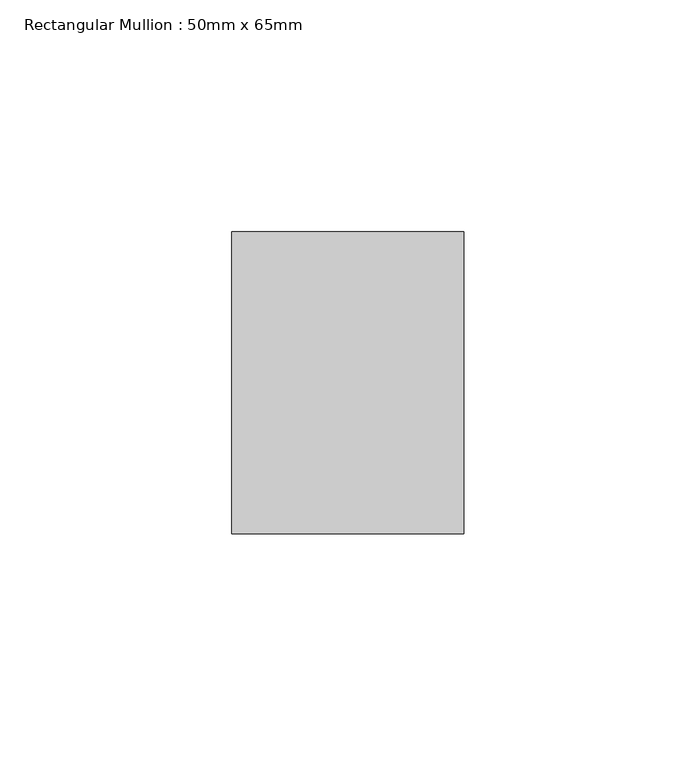
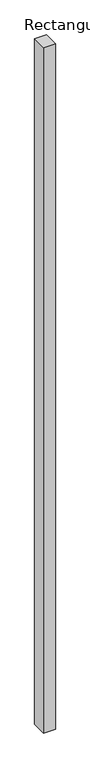
"""IFC4 building model written with IfcOpenShell, lengths in millimetres: member geometry, Rectangular Mullion : 50mm x 65mm."""

from ifc_helpers import new_model, si_unit, frame, origin, place, context, project, spatial, polyline, outline, extrude, source, transform, mapped, element, save


def rectangular_mullion_50mm_x_65mm_da018e78(model_context):
    return source(origin(), model_context, "Body", "SweptSolid", [
        extrude(outline(polyline([(25.0, 32.5), (25.0, -32.5), (-25.0, -32.5), (-25.0, 32.5), (25.0, 32.5)])), frame((0.0, 0.0, -3078.7108579), z_axis=(0.0, 0.0, 1.0), x_axis=(1.0, 0.0, 0.0)), (0.0, 0.0, 1.0), 3078.7108579),
    ])


if __name__ == "__main__":
    model = new_model("IFC4")
    model_context = context("Model", 3, world=origin())
    ifc_project = project(units=[si_unit("LENGTHUNIT", "METRE", prefix="MILLI")], contexts=[model_context])
    site = spatial("IfcSite", under=ifc_project)
    building = spatial("IfcBuilding", under=site)
    placement = place(None, origin())
    rectangular_mullion_50mm_x_65mm_shape = rectangular_mullion_50mm_x_65mm_da018e78(model_context)
    element("IfcMember", 1, ObjectType="Rectangular Mullion : 50mm x 65mm", at=placement, inside=building, context=model_context, shape_type="MappedRepresentation", body=[
        mapped(rectangular_mullion_50mm_x_65mm_shape, transform((0.0, 0.0, 0.0), x_axis=(1.0, 0.0, 0.0), y_axis=(0.0, 1.0, 0.0), z_axis=(0.0, 0.0, 1.0))),
    ])
    save(model, "model.ifc")
